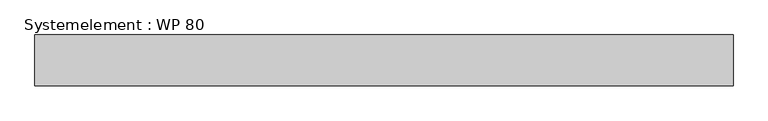
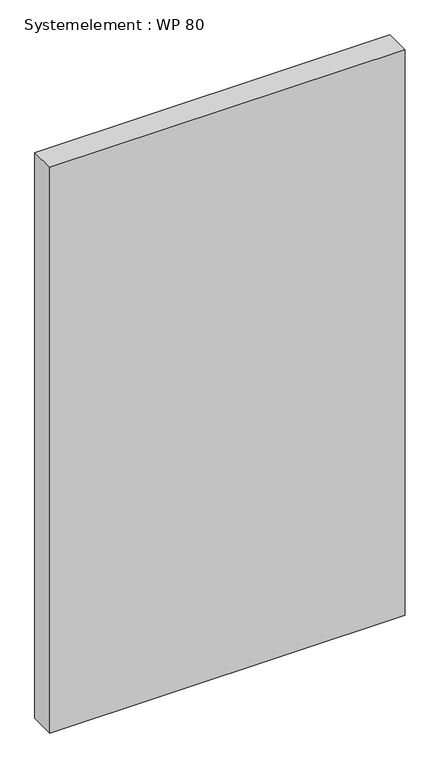
"""IFC4 building model written with IfcOpenShell, lengths in millimetres: plate geometry, Systemelement : WP 80."""

from ifc_helpers import new_model, si_unit, origin, origin_with_axes, place, context, project, spatial, polyline, outline, extrude, source, transform, mapped, element, save


def systemelement_wp_80_d297f335(model_context):
    return source(origin(), model_context, "Body", "SweptSolid", [
        extrude(outline(polyline([(550.0, -80.0), (-550.0, -80.0), (-550.0, 0.0), (550.0, 0.0), (550.0, -80.0)])), origin_with_axes(), (0.0, 0.0, 1.0), 1851.6147161),
    ])


if __name__ == "__main__":
    model = new_model("IFC4")
    model_context = context("Model", 3, world=origin())
    ifc_project = project(units=[si_unit("LENGTHUNIT", "METRE", prefix="MILLI")], contexts=[model_context])
    site = spatial("IfcSite", under=ifc_project)
    building = spatial("IfcBuilding", under=site)
    placement = place(None, origin())
    systemelement_wp_80_shape = systemelement_wp_80_d297f335(model_context)
    element("IfcPlate", 1, ObjectType="Systemelement : WP 80", at=placement, inside=building, context=model_context, shape_type="MappedRepresentation", body=[
        mapped(systemelement_wp_80_shape, transform((0.0, 0.0, 0.0), x_axis=(1.0, 0.0, 0.0), y_axis=(0.0, 1.0, 0.0), z_axis=(0.0, 0.0, 1.0))),
    ])
    save(model, "model.ifc")
